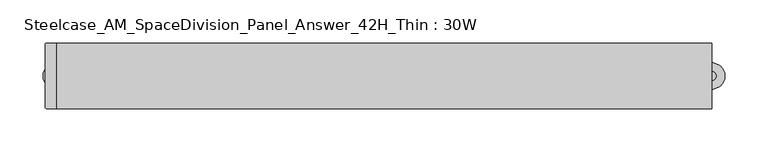
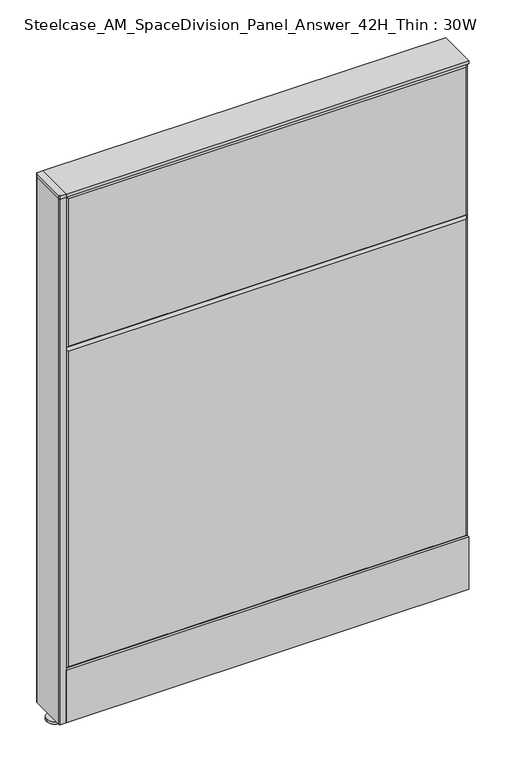
"""IFC4 building model written with IfcOpenShell, lengths in millimetres: furniture geometry, Steelcase_AM_SpaceDivision_Panel_Answer_42H_Thin : 30W."""

from ifc_helpers import new_model, si_unit, point, frame, frame_2d, origin, place, context, project, spatial, polyline, circle_curve, trimmed, segment, composite_curve, outline, extrude, faceted_brep, source, transform, mapped, element, save


def steelcase_am_spacedivision_panel_answer_42h_thin_30w_e9bb5738(model_context):
    return source(origin(), model_context, "Body", "SolidModel", [
        extrude(outline(polyline([(-37.3075215, 119.8575157), (-37.3075215, 15.494), (-38.1000194, 15.494), (-38.1000194, 120.65), (-25.4000011, 120.65), (-25.4000011, 119.8575157), (-37.3075215, 119.8575157)])), frame((-381.0, 0.0, 0.0), z_axis=(1.0, 0.0, 0.0), x_axis=(0.0, 1.0, 0.0)), (0.0, 0.0, 1.0), 762.0),
        extrude(outline(composite_curve([segment(trimmed(circle_curve(frame_2d((381.0, -1.94e-05)), 5.08), [point((386.08, -1.94e-05))], [point((375.92, -1.94e-05))], False, "CARTESIAN"), True, "CONTINUOUS"), segment(trimmed(circle_curve(frame_2d((381.0, -1.94e-05)), 5.08), [point((375.92, -1.94e-05))], [point((386.08, -1.94e-05))], False, "CARTESIAN"), True, "CONTINUOUS")], self_intersect=False)), frame((0.0, 0.0, 5.0799671), z_axis=(0.0, 0.0, 1.0), x_axis=(1.0, 0.0, 0.0)), (0.0, 0.0, 1.0), 10.414),
        extrude(outline(composite_curve([segment(trimmed(circle_curve(frame_2d((381.0, -1.94e-05)), 15.24), [point((396.24, -1.94e-05))], [point((365.76, -1.94e-05))], False, "CARTESIAN"), True, "CONTINUOUS"), segment(trimmed(circle_curve(frame_2d((381.0, -1.94e-05)), 15.24), [point((365.76, -1.94e-05))], [point((396.24, -1.94e-05))], False, "CARTESIAN"), True, "CONTINUOUS")], self_intersect=False)), frame((0.0, 0.0, -3.29e-05), z_axis=(0.0, 0.0, 1.0), x_axis=(1.0, 0.0, 0.0)), (0.0, 0.0, 1.0), 5.08),
        extrude(outline(composite_curve([segment(trimmed(circle_curve(frame_2d((-381.0, 0.0)), 5.08), [point((-386.08, 0.0))], [point((-375.92, 0.0))], False, "CARTESIAN"), True, "CONTINUOUS"), segment(trimmed(circle_curve(frame_2d((-381.0, 0.0)), 5.08), [point((-375.92, 0.0))], [point((-386.08, 0.0))], False, "CARTESIAN"), True, "CONTINUOUS")], self_intersect=False)), frame((0.0, 0.0, 5.0799671), z_axis=(0.0, 0.0, 1.0), x_axis=(1.0, 0.0, 0.0)), (0.0, 0.0, 1.0), 10.414),
        extrude(outline(composite_curve([segment(trimmed(circle_curve(frame_2d((-381.0, 0.0)), 15.24), [point((-396.24, 0.0))], [point((-365.76, 0.0))], False, "CARTESIAN"), True, "CONTINUOUS"), segment(trimmed(circle_curve(frame_2d((-381.0, 0.0)), 15.24), [point((-365.76, 0.0))], [point((-396.24, 0.0))], False, "CARTESIAN"), True, "CONTINUOUS")], self_intersect=False)), frame((0.0, 0.0, -3.29e-05), z_axis=(0.0, 0.0, 1.0), x_axis=(1.0, 0.0, 0.0)), (0.0, 0.0, 1.0), 5.08),
        extrude(outline(composite_curve([segment(trimmed(circle_curve(frame_2d((-391.922, 36.3220194)), 1.778), [point((-393.7, 36.3220194))], [point((-391.922, 38.1000194))], False, "CARTESIAN"), True, "CONTINUOUS"), segment(polyline([(-391.922, 38.1000194), (-381.0, 38.1000194), (-381.0, -38.0999806), (-391.922, -38.0999806)]), True, "CONTINUOUS"), segment(trimmed(circle_curve(frame_2d((-391.922, -36.3219806)), 1.778), [point((-391.922, -38.0999806))], [point((-393.7, -36.3219806))], False, "CARTESIAN"), True, "CONTINUOUS"), segment(polyline([(-393.7, -36.3219806), (-393.7, 36.3220194)]), True, "CONTINUOUS")], self_intersect=False)), frame((0.0, 0.0, 1066.7999671), z_axis=(0.0, 0.0, 1.0), x_axis=(1.0, 0.0, 0.0)), (0.0, 0.0, 1.0), 6.35),
        extrude(outline(composite_curve([segment(trimmed(circle_curve(frame_2d((-391.922, 36.3220194)), 1.778), [point((-393.7, 36.3220194))], [point((-391.922, 38.1000194))], False, "CARTESIAN"), True, "CONTINUOUS"), segment(polyline([(-391.922, 38.1000194), (-381.0, 38.1000194), (-381.0, -38.0999806), (-391.922, -38.0999806)]), True, "CONTINUOUS"), segment(trimmed(circle_curve(frame_2d((-391.922, -36.3219806)), 1.778), [point((-391.922, -38.0999806))], [point((-393.7, -36.3219806))], False, "CARTESIAN"), True, "CONTINUOUS"), segment(polyline([(-393.7, -36.3219806), (-393.7, 36.3220194)]), True, "CONTINUOUS")], self_intersect=False)), frame((0.0, 0.0, 15.4939671), z_axis=(0.0, 0.0, 1.0), x_axis=(1.0, 0.0, 0.0)), (0.0, 0.0, 1.0), 1051.306),
        faceted_brep([(-376.174, 38.0960541, 1061.974), (376.174, 38.0960541, 1061.974), (376.174, 38.0960541, 766.826), (-376.174, 38.0960541, 766.826), (-381.0, 33.2700541, 1066.8), (-381.0, 33.2700541, 762.0), (381.0, 33.2700541, 762.0), (381.0, 33.2700541, 1066.8)], [[[0, 1, 2, 3]], [[4, 5, 6, 7]], [[4, 7, 1, 0]], [[7, 6, 2, 1]], [[6, 5, 3, 2]], [[5, 4, 0, 3]]]),
        faceted_brep([(-376.174, 38.0960541, 757.174), (376.174, 38.0960541, 757.174), (376.174, 38.0960541, 20.32), (-376.174, 38.0960541, 20.32), (-381.0, 33.2700541, 762.0), (-381.0, 33.2700541, 15.494), (381.0, 33.2700541, 15.494), (381.0, 33.2700541, 762.0)], [[[0, 1, 2, 3]], [[4, 5, 6, 7]], [[4, 7, 1, 0]], [[7, 6, 2, 1]], [[6, 5, 3, 2]], [[5, 4, 0, 3]]]),
        faceted_brep([(376.174, -38.0960541, 1061.974), (-376.174, -38.0960541, 1061.974), (-376.174, -38.0960541, 766.826), (376.174, -38.0960541, 766.826), (381.0, -33.2700541, 1066.8), (381.0, -33.2700541, 762.0), (-381.0, -33.2700541, 762.0), (-381.0, -33.2700541, 1066.8)], [[[0, 1, 2, 3]], [[4, 5, 6, 7]], [[4, 7, 1, 0]], [[7, 6, 2, 1]], [[6, 5, 3, 2]], [[5, 4, 0, 3]]]),
        faceted_brep([(376.174, -38.0960541, 757.174), (-376.174, -38.0960541, 757.174), (-376.174, -38.0960541, 125.476), (376.174, -38.0960541, 125.476), (381.0, -33.2700541, 762.0), (381.0, -33.2700541, 120.65), (-381.0, -33.2700541, 120.65), (-381.0, -33.2700541, 762.0)], [[[0, 1, 2, 3]], [[4, 5, 6, 7]], [[4, 7, 1, 0]], [[7, 6, 2, 1]], [[6, 5, 3, 2]], [[5, 4, 0, 3]]]),
        extrude(outline(polyline([(381.0, 38.1000194), (381.0, -38.1000194), (-381.0, -38.1000194), (-381.0, 38.1000194), (381.0, 38.1000194)])), frame((0.0, 0.0, 1066.8), z_axis=(0.0, 0.0, 1.0), x_axis=(1.0, 0.0, 0.0)), (0.0, 0.0, 1.0), 6.35),
    ])


if __name__ == "__main__":
    model = new_model("IFC4")
    model_context = context("Model", 3, world=origin())
    ifc_project = project(units=[si_unit("LENGTHUNIT", "METRE", prefix="MILLI")], contexts=[model_context])
    site = spatial("IfcSite", under=ifc_project)
    building = spatial("IfcBuilding", under=site)
    placement = place(None, origin())
    steelcase_am_spacedivision_panel_answer_42h_thin_30w_shape = steelcase_am_spacedivision_panel_answer_42h_thin_30w_e9bb5738(model_context)
    element("IfcFurniture", 1, ObjectType="Steelcase_AM_SpaceDivision_Panel_Answer_42H_Thin : 30W", at=placement, inside=building, context=model_context, shape_type="MappedRepresentation", body=[
        mapped(steelcase_am_spacedivision_panel_answer_42h_thin_30w_shape, transform((0.0, 0.0, 0.0), x_axis=(1.0, 0.0, 0.0), y_axis=(0.0, 1.0, 0.0), z_axis=(0.0, 0.0, 1.0))),
    ])
    save(model, "model.ifc")
